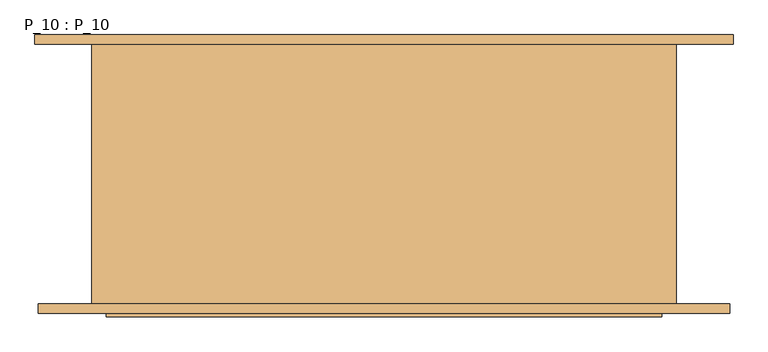
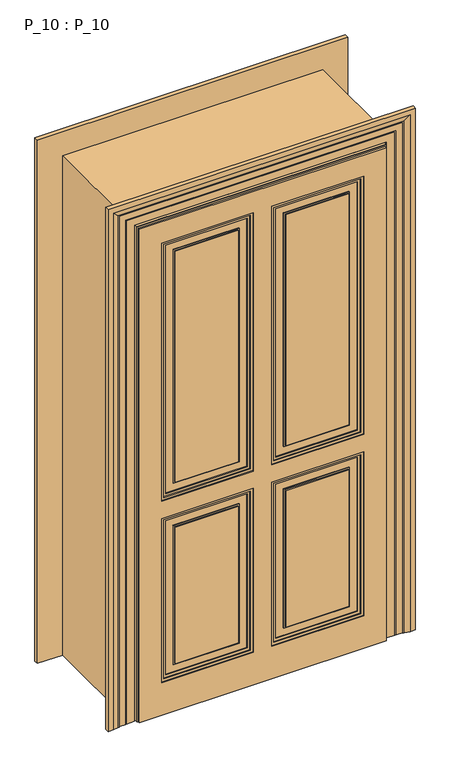
"""IFC4 building model written with IfcOpenShell, lengths in millimetres: door geometry, P_10 : P_10."""

from ifc_helpers import new_model, si_unit, frame, origin, origin_with_axes, place, context, project, spatial, polyline, outline, extrude, faceted_brep, source, transform, mapped, element, save


def p_10_p_10_13ee09d3(model_context):
    return source(origin(), model_context, "Body", "SolidModel", [
        extrude(outline(polyline([(90.0, -220.0), (90.0, -212.0), (330.0, -212.0), (330.0, -220.0), (90.0, -220.0)])), frame((0.0, 0.0, 185.0), z_axis=(0.0, 0.0, 1.0), x_axis=(1.0, 0.0, 0.0)), (0.0, 0.0, 1.0), 550.0),
        extrude(outline(polyline([(-330.0, -220.0), (-330.0, -212.0), (-90.0, -212.0), (-90.0, -220.0), (-330.0, -220.0)])), frame((0.0, 0.0, 185.0), z_axis=(0.0, 0.0, 1.0), x_axis=(1.0, 0.0, 0.0)), (0.0, 0.0, 1.0), 550.0),
        extrude(outline(polyline([(90.0, -220.0), (90.0, -212.0), (330.0, -212.0), (330.0, -220.0), (90.0, -220.0)])), frame((0.0, 0.0, 915.0), z_axis=(0.0, 0.0, 1.0), x_axis=(1.0, 0.0, 0.0)), (0.0, 0.0, 1.0), 930.0),
        extrude(outline(polyline([(-330.0, -220.0), (-330.0, -212.0), (-90.0, -212.0), (-90.0, -220.0), (-330.0, -220.0)])), frame((0.0, 0.0, 915.0), z_axis=(0.0, 0.0, 1.0), x_axis=(1.0, 0.0, 0.0)), (0.0, 0.0, 1.0), 930.0),
        extrude(outline(polyline([(1890.0, 375.0), (1890.0, 45.0), (870.0, 45.0), (870.0, 375.0), (1890.0, 375.0)]), holes=[polyline([(1880.0, 365.0), (880.0, 365.0), (880.0, 55.0), (1880.0, 55.0), (1880.0, 365.0)])]), frame((0.0, -220.0, 0.0), z_axis=(0.0, 1.0, 0.0), x_axis=(0.0, 0.0, 1.0)), (0.0, 0.0, 1.0), 4.0),
        extrude(outline(polyline([(780.0, 45.0), (140.0, 45.0), (140.0, 375.0), (780.0, 375.0), (780.0, 45.0)]), holes=[polyline([(770.0, 55.0), (770.0, 365.0), (150.0, 365.0), (150.0, 55.0), (770.0, 55.0)])]), frame((0.0, -220.0, 0.0), z_axis=(0.0, 1.0, 0.0), x_axis=(0.0, 0.0, 1.0)), (0.0, 0.0, 1.0), 4.0),
        extrude(outline(polyline([(780.0, -375.0), (140.0, -375.0), (140.0, -45.0), (780.0, -45.0), (780.0, -375.0)]), holes=[polyline([(770.0, -365.0), (770.0, -55.0), (150.0, -55.0), (150.0, -365.0), (770.0, -365.0)])]), frame((0.0, -220.0, 0.0), z_axis=(0.0, 1.0, 0.0), x_axis=(0.0, 0.0, 1.0)), (0.0, 0.0, 1.0), 4.0),
        extrude(outline(polyline([(870.0, -45.0), (1890.0, -45.0), (1890.0, -375.0), (870.0, -375.0), (870.0, -45.0)]), holes=[polyline([(880.0, -55.0), (880.0, -365.0), (1880.0, -365.0), (1880.0, -55.0), (880.0, -55.0)])]), frame((0.0, -220.0, 0.0), z_axis=(0.0, 1.0, 0.0), x_axis=(0.0, 0.0, 1.0)), (0.0, 0.0, 1.0), 4.0),
        extrude(outline(polyline([(740.0, 85.0), (180.0, 85.0), (180.0, 335.0), (740.0, 335.0), (740.0, 85.0)]), holes=[polyline([(735.0, 90.0), (735.0, 330.0), (185.0, 330.0), (185.0, 90.0), (735.0, 90.0)])]), frame((0.0, -220.0, 0.0), z_axis=(0.0, 1.0, 0.0), x_axis=(0.0, 0.0, 1.0)), (0.0, 0.0, 1.0), 4.0),
        extrude(outline(polyline([(740.0, -335.0), (180.0, -335.0), (180.0, -85.0), (740.0, -85.0), (740.0, -335.0)]), holes=[polyline([(735.0, -330.0), (735.0, -90.0), (185.0, -90.0), (185.0, -330.0), (735.0, -330.0)])]), frame((0.0, -220.0, 0.0), z_axis=(0.0, 1.0, 0.0), x_axis=(0.0, 0.0, 1.0)), (0.0, 0.0, 1.0), 4.0),
        extrude(outline(polyline([(910.0, -85.0), (1850.0, -85.0), (1850.0, -335.0), (910.0, -335.0), (910.0, -85.0)]), holes=[polyline([(915.0, -90.0), (915.0, -330.0), (1845.0, -330.0), (1845.0, -90.0), (915.0, -90.0)])]), frame((0.0, -220.0, 0.0), z_axis=(0.0, 1.0, 0.0), x_axis=(0.0, 0.0, 1.0)), (0.0, 0.0, 1.0), 4.0),
        extrude(outline(polyline([(1850.0, 335.0), (1850.0, 85.0), (910.0, 85.0), (910.0, 335.0), (1850.0, 335.0)]), holes=[polyline([(1845.0, 330.0), (915.0, 330.0), (915.0, 90.0), (1845.0, 90.0), (1845.0, 330.0)])]), frame((0.0, -220.0, 0.0), z_axis=(0.0, 1.0, 0.0), x_axis=(0.0, 0.0, 1.0)), (0.0, 0.0, 1.0), 4.0),
        extrude(outline(polyline([(860.0, 385.0), (1900.0, 385.0), (1900.0, 35.0), (860.0, 35.0), (860.0, 385.0)]), holes=[polyline([(1890.0, 375.0), (870.0, 375.0), (870.0, 45.0), (1890.0, 45.0), (1890.0, 375.0)])]), frame((0.0, -220.0, 0.0), z_axis=(0.0, 1.0, 0.0), x_axis=(0.0, 0.0, 1.0)), (0.0, 0.0, 1.0), 8.0),
        extrude(outline(polyline([(790.0, -385.0), (130.0, -385.0), (130.0, -35.0), (790.0, -35.0), (790.0, -385.0)]), holes=[polyline([(780.0, -375.0), (780.0, -45.0), (140.0, -45.0), (140.0, -375.0), (780.0, -375.0)])]), frame((0.0, -220.0, 0.0), z_axis=(0.0, 1.0, 0.0), x_axis=(0.0, 0.0, 1.0)), (0.0, 0.0, 1.0), 8.0),
        extrude(outline(polyline([(130.0, 385.0), (790.0, 385.0), (790.0, 35.0), (130.0, 35.0), (130.0, 385.0)]), holes=[polyline([(780.0, 45.0), (780.0, 375.0), (140.0, 375.0), (140.0, 45.0), (780.0, 45.0)])]), frame((0.0, -220.0, 0.0), z_axis=(0.0, 1.0, 0.0), x_axis=(0.0, 0.0, 1.0)), (0.0, 0.0, 1.0), 8.0),
        extrude(outline(polyline([(1900.0, -35.0), (1900.0, -385.0), (860.0, -385.0), (860.0, -35.0), (1900.0, -35.0)]), holes=[polyline([(870.0, -45.0), (870.0, -375.0), (1890.0, -375.0), (1890.0, -45.0), (870.0, -45.0)])]), frame((0.0, -220.0, 0.0), z_axis=(0.0, 1.0, 0.0), x_axis=(0.0, 0.0, 1.0)), (0.0, 0.0, 1.0), 8.0),
        extrude(outline(polyline([(0.0, 470.0), (1985.0, 470.0), (1985.0, -470.0), (0.0, -470.0), (0.0, 470.0)]), holes=[polyline([(790.0, -35.0), (130.0, -35.0), (130.0, -385.0), (790.0, -385.0), (790.0, -35.0)]), polyline([(860.0, -35.0), (860.0, -385.0), (1900.0, -385.0), (1900.0, -35.0), (860.0, -35.0)]), polyline([(860.0, 35.0), (1900.0, 35.0), (1900.0, 385.0), (860.0, 385.0), (860.0, 35.0)]), polyline([(790.0, 385.0), (130.0, 385.0), (130.0, 35.0), (790.0, 35.0), (790.0, 385.0)])]), frame((0.0, -220.0, 0.0), z_axis=(0.0, 1.0, 0.0), x_axis=(0.0, 0.0, 1.0)), (0.0, 0.0, 1.0), 12.0),
        extrude(outline(polyline([(330.0, -230.0), (330.0, -238.0), (90.0, -238.0), (90.0, -230.0), (330.0, -230.0)])), frame((0.0, 0.0, 185.0), z_axis=(0.0, 0.0, 1.0), x_axis=(1.0, 0.0, 0.0)), (0.0, 0.0, 1.0), 550.0),
        extrude(outline(polyline([(-90.0, -230.0), (-90.0, -238.0), (-330.0, -238.0), (-330.0, -230.0), (-90.0, -230.0)])), frame((0.0, 0.0, 185.0), z_axis=(0.0, 0.0, 1.0), x_axis=(1.0, 0.0, 0.0)), (0.0, 0.0, 1.0), 550.0),
        extrude(outline(polyline([(330.0, -230.0), (330.0, -238.0), (90.0, -238.0), (90.0, -230.0), (330.0, -230.0)])), frame((0.0, 0.0, 915.0), z_axis=(0.0, 0.0, 1.0), x_axis=(1.0, 0.0, 0.0)), (0.0, 0.0, 1.0), 930.0),
        extrude(outline(polyline([(-90.0, -230.0), (-90.0, -238.0), (-330.0, -238.0), (-330.0, -230.0), (-90.0, -230.0)])), frame((0.0, 0.0, 915.0), z_axis=(0.0, 0.0, 1.0), x_axis=(1.0, 0.0, 0.0)), (0.0, 0.0, 1.0), 930.0),
        extrude(outline(polyline([(475.0, -220.0), (475.0, -230.0), (-475.0, -230.0), (-475.0, -220.0), (475.0, -220.0)])), origin_with_axes(), (0.0, 0.0, 1.0), 1990.0),
        extrude(outline(polyline([(870.0, -45.0), (1890.0, -45.0), (1890.0, -375.0), (870.0, -375.0), (870.0, -45.0)]), holes=[polyline([(880.0, -55.0), (880.0, -365.0), (1880.0, -365.0), (1880.0, -55.0), (880.0, -55.0)])]), frame((0.0, -234.0, 0.0), z_axis=(0.0, 1.0, 0.0), x_axis=(0.0, 0.0, 1.0)), (0.0, 0.0, 1.0), 4.0),
        extrude(outline(polyline([(1890.0, 45.0), (870.0, 45.0), (870.0, 375.0), (1890.0, 375.0), (1890.0, 45.0)]), holes=[polyline([(1880.0, 55.0), (1880.0, 365.0), (880.0, 365.0), (880.0, 55.0), (1880.0, 55.0)])]), frame((0.0, -234.0, 0.0), z_axis=(0.0, 1.0, 0.0), x_axis=(0.0, 0.0, 1.0)), (0.0, 0.0, 1.0), 4.0),
        extrude(outline(polyline([(780.0, 45.0), (140.0, 45.0), (140.0, 375.0), (780.0, 375.0), (780.0, 45.0)]), holes=[polyline([(770.0, 55.0), (770.0, 365.0), (150.0, 365.0), (150.0, 55.0), (770.0, 55.0)])]), frame((0.0, -234.0, 0.0), z_axis=(0.0, 1.0, 0.0), x_axis=(0.0, 0.0, 1.0)), (0.0, 0.0, 1.0), 4.0),
        extrude(outline(polyline([(780.0, -375.0), (140.0, -375.0), (140.0, -45.0), (780.0, -45.0), (780.0, -375.0)]), holes=[polyline([(770.0, -365.0), (770.0, -55.0), (150.0, -55.0), (150.0, -365.0), (770.0, -365.0)])]), frame((0.0, -234.0, 0.0), z_axis=(0.0, 1.0, 0.0), x_axis=(0.0, 0.0, 1.0)), (0.0, 0.0, 1.0), 4.0),
        extrude(outline(polyline([(740.0, 85.0), (180.0, 85.0), (180.0, 335.0), (740.0, 335.0), (740.0, 85.0)]), holes=[polyline([(735.0, 90.0), (735.0, 330.0), (185.0, 330.0), (185.0, 90.0), (735.0, 90.0)])]), frame((0.0, -234.0, 0.0), z_axis=(0.0, 1.0, 0.0), x_axis=(0.0, 0.0, 1.0)), (0.0, 0.0, 1.0), 4.0),
        extrude(outline(polyline([(740.0, -335.0), (180.0, -335.0), (180.0, -85.0), (740.0, -85.0), (740.0, -335.0)]), holes=[polyline([(735.0, -330.0), (735.0, -90.0), (185.0, -90.0), (185.0, -330.0), (735.0, -330.0)])]), frame((0.0, -234.0, 0.0), z_axis=(0.0, 1.0, 0.0), x_axis=(0.0, 0.0, 1.0)), (0.0, 0.0, 1.0), 4.0),
        extrude(outline(polyline([(1850.0, 85.0), (910.0, 85.0), (910.0, 335.0), (1850.0, 335.0), (1850.0, 85.0)]), holes=[polyline([(1845.0, 90.0), (1845.0, 330.0), (915.0, 330.0), (915.0, 90.0), (1845.0, 90.0)])]), frame((0.0, -234.0, 0.0), z_axis=(0.0, 1.0, 0.0), x_axis=(0.0, 0.0, 1.0)), (0.0, 0.0, 1.0), 4.0),
        extrude(outline(polyline([(1850.0, -335.0), (910.0, -335.0), (910.0, -85.0), (1850.0, -85.0), (1850.0, -335.0)]), holes=[polyline([(1845.0, -330.0), (1845.0, -90.0), (915.0, -90.0), (915.0, -330.0), (1845.0, -330.0)])]), frame((0.0, -234.0, 0.0), z_axis=(0.0, 1.0, 0.0), x_axis=(0.0, 0.0, 1.0)), (0.0, 0.0, 1.0), 4.0),
        extrude(outline(polyline([(860.0, 385.0), (1900.0, 385.0), (1900.0, 35.0), (860.0, 35.0), (860.0, 385.0)]), holes=[polyline([(1890.0, 45.0), (1890.0, 375.0), (870.0, 375.0), (870.0, 45.0), (1890.0, 45.0)])]), frame((0.0, -238.0, 0.0), z_axis=(0.0, 1.0, 0.0), x_axis=(0.0, 0.0, 1.0)), (0.0, 0.0, 1.0), 8.0),
        extrude(outline(polyline([(1900.0, -35.0), (1900.0, -385.0), (860.0, -385.0), (860.0, -35.0), (1900.0, -35.0)]), holes=[polyline([(870.0, -45.0), (870.0, -375.0), (1890.0, -375.0), (1890.0, -45.0), (870.0, -45.0)])]), frame((0.0, -238.0, 0.0), z_axis=(0.0, 1.0, 0.0), x_axis=(0.0, 0.0, 1.0)), (0.0, 0.0, 1.0), 8.0),
        extrude(outline(polyline([(790.0, -385.0), (130.0, -385.0), (130.0, -35.0), (790.0, -35.0), (790.0, -385.0)]), holes=[polyline([(780.0, -375.0), (780.0, -45.0), (140.0, -45.0), (140.0, -375.0), (780.0, -375.0)])]), frame((0.0, -238.0, 0.0), z_axis=(0.0, 1.0, 0.0), x_axis=(0.0, 0.0, 1.0)), (0.0, 0.0, 1.0), 8.0),
        extrude(outline(polyline([(130.0, 385.0), (790.0, 385.0), (790.0, 35.0), (130.0, 35.0), (130.0, 385.0)]), holes=[polyline([(780.0, 45.0), (780.0, 375.0), (140.0, 375.0), (140.0, 45.0), (780.0, 45.0)])]), frame((0.0, -238.0, 0.0), z_axis=(0.0, 1.0, 0.0), x_axis=(0.0, 0.0, 1.0)), (0.0, 0.0, 1.0), 8.0),
        faceted_brep([(475.0, -230.0, 0.0), (-475.0, -230.0, 0.0), (-475.0, -230.0, 1990.0), (475.0, -230.0, 1990.0), (-35.0, -230.0, 790.0), (-385.0, -230.0, 790.0), (-385.0, -230.0, 130.0), (-35.0, -230.0, 130.0), (-35.0, -230.0, 860.0), (-35.0, -230.0, 1900.0), (-385.0, -230.0, 1900.0), (-385.0, -230.0, 860.0), (35.0, -230.0, 860.0), (385.0, -230.0, 860.0), (385.0, -230.0, 1900.0), (35.0, -230.0, 1900.0), (385.0, -230.0, 790.0), (35.0, -230.0, 790.0), (35.0, -230.0, 130.0), (385.0, -230.0, 130.0), (-35.0, -242.0, 130.0), (-35.0, -242.0, 790.0), (-385.0, -242.0, 130.0), (-385.0, -242.0, 790.0), (35.0, -242.0, 1900.0), (35.0, -242.0, 860.0), (385.0, -242.0, 860.0), (385.0, -242.0, 1900.0), (-385.0, -242.0, 860.0), (-35.0, -242.0, 860.0), (-385.0, -242.0, 1900.0), (-35.0, -242.0, 1900.0), (475.0, -235.0, 1990.0), (475.0, -235.0, 0.0), (-475.0, -235.0, 0.0), (-475.0, -235.0, 1990.0), (470.0, -235.0, 0.0), (470.0, -242.0, 0.0), (-470.0, -242.0, 0.0), (-470.0, -235.0, 0.0), (385.0, -242.0, 130.0), (385.0, -242.0, 790.0), (35.0, -242.0, 130.0), (35.0, -242.0, 790.0), (470.0, -242.0, 1985.0), (-470.0, -242.0, 1985.0), (-470.0, -235.0, 1985.0), (470.0, -235.0, 1985.0)], [[[0, 1, 2, 3], [4, 5, 6, 7], [8, 9, 10, 11], [12, 13, 14, 15], [16, 17, 18, 19]], [[7, 20, 21, 4]], [[6, 22, 20, 7]], [[5, 23, 22, 6]], [[4, 21, 23, 5]], [[15, 24, 25, 12]], [[13, 26, 27, 14]], [[12, 25, 26, 13]], [[11, 28, 29, 8]], [[10, 30, 28, 11]], [[8, 29, 31, 9]], [[0, 3, 32, 33]], [[1, 34, 35, 2]], [[0, 33, 36, 37, 38, 39, 34, 1]], [[19, 40, 41, 16]], [[18, 42, 40, 19]], [[17, 43, 42, 18]], [[16, 41, 43, 17]], [[37, 44, 45, 38], [21, 20, 22, 23], [25, 24, 27, 26], [29, 28, 30, 31], [41, 40, 42, 43]], [[45, 46, 39, 38]], [[37, 36, 47, 44]], [[33, 32, 35, 34, 39, 46, 47, 36]], [[3, 2, 35, 32]], [[14, 27, 24, 15]], [[44, 47, 46, 45]], [[9, 31, 30, 10]]]),
        faceted_brep([(585.0, -220.0, 0.0), (585.0, -236.0, 0.0), (565.0, -236.0, 0.0), (545.0, -232.0291126, 0.0), (545.0, -231.0291126, 0.0), (540.0, -231.0291126, 0.0), (540.0, -230.0291126, 0.0), (516.0, -230.0291126, 0.0), (516.0, -229.0291126, 0.0), (511.0, -229.0291126, 0.0), (511.0, -228.0291126, 0.0), (481.0, -228.0291126, 0.0), (481.0, -220.0, 0.0), (471.0, -220.0, 0.0), (471.0, 220.0, 0.0), (481.0, 220.0, 0.0), (481.0, 228.0291126, 0.0), (511.0, 228.0291126, 0.0), (511.0, 229.0291126, 0.0), (516.0, 229.0291126, 0.0), (516.0, 230.0291126, 0.0), (546.0, 230.0291126, 0.0), (546.0, 231.0291126, 0.0), (551.0, 231.0291126, 0.0), (551.0, 232.0291126, 0.0), (571.0, 236.0, 0.0), (591.0, 236.0, 0.0), (591.0, 220.0, 0.0), (495.0, 220.0, 0.0), (495.0, -220.0, 0.0), (495.0, -220.0, 2010.0), (-495.0, -220.0, 2010.0), (-495.0, -220.0, 0.0), (-585.0, -220.0, 0.0), (-585.0, -220.0, 2100.0), (585.0, -220.0, 2100.0), (495.0, 220.0, 2010.0), (591.0, 220.0, 2106.0), (-591.0, 220.0, 2106.0), (-591.0, 220.0, 0.0), (-495.0, 220.0, 0.0), (-495.0, 220.0, 2010.0), (591.0, 236.0, 2106.0), (571.0, 236.0, 2086.0), (-571.0, 236.0, 2086.0), (-571.0, 236.0, 0.0), (-591.0, 236.0, 0.0), (-591.0, 236.0, 2106.0), (551.0, 232.0291126, 2066.0), (551.0, 231.0291126, 2066.0), (546.0, 231.0291126, 2061.0), (-546.0, 231.0291126, 2061.0), (-546.0, 231.0291126, 0.0), (-551.0, 231.0291126, 0.0), (-551.0, 231.0291126, 2066.0), (546.0, 230.0291126, 2061.0), (516.0, 230.0291126, 2031.0), (-516.0, 230.0291126, 2031.0), (-516.0, 230.0291126, 0.0), (-546.0, 230.0291126, 0.0), (-546.0, 230.0291126, 2061.0), (516.0, 229.0291126, 2031.0), (511.0, 229.0291126, 2026.0), (-511.0, 229.0291126, 2026.0), (-511.0, 229.0291126, 0.0), (-516.0, 229.0291126, 0.0), (-516.0, 229.0291126, 2031.0), (511.0, 228.0291126, 2026.0), (481.0, 228.0291126, 1996.0), (-481.0, 228.0291126, 1996.0), (-481.0, 228.0291126, 0.0), (-511.0, 228.0291126, 0.0), (-511.0, 228.0291126, 2026.0), (481.0, 220.0, 1996.0), (471.0, 220.0, 1986.0), (-471.0, 220.0, 1986.0), (-471.0, 220.0, 0.0), (-481.0, 220.0, 0.0), (-481.0, 220.0, 1996.0), (471.0, -220.0, 1986.0), (481.0, -220.0, 1996.0), (-481.0, -220.0, 1996.0), (-481.0, -220.0, 0.0), (-471.0, -220.0, 0.0), (-471.0, -220.0, 1986.0), (481.0, -228.0291126, 1996.0), (511.0, -228.0291126, 2026.0), (-511.0, -228.0291126, 2026.0), (-511.0, -228.0291126, 0.0), (-481.0, -228.0291126, 0.0), (-481.0, -228.0291126, 1996.0), (511.0, -229.0291126, 2026.0), (516.0, -229.0291126, 2031.0), (-516.0, -229.0291126, 2031.0), (-516.0, -229.0291126, 0.0), (-511.0, -229.0291126, 0.0), (-511.0, -229.0291126, 2026.0), (516.0, -230.0291126, 2031.0), (540.0, -230.0291126, 2055.0), (-540.0, -230.0291126, 2055.0), (-540.0, -230.0291126, 0.0), (-516.0, -230.0291126, 0.0), (-516.0, -230.0291126, 2031.0), (540.0, -231.0291126, 2055.0), (545.0, -231.0291126, 2060.0), (-545.0, -231.0291126, 2060.0), (-545.0, -231.0291126, 0.0), (-540.0, -231.0291126, 0.0), (-540.0, -231.0291126, 2055.0), (545.0, -232.0291126, 2060.0), (565.0, -236.0, 2080.0), (585.0, -236.0, 2100.0), (-585.0, -236.0, 2100.0), (-585.0, -236.0, 0.0), (-565.0, -236.0, 0.0), (-565.0, -236.0, 2080.0), (-551.0, 232.0291126, 0.0), (-545.0, -232.0291126, 0.0), (-545.0, -232.0291126, 2060.0), (-551.0, 232.0291126, 2066.0)], [[[0, 1, 2, 3, 4, 5, 6, 7, 8, 9, 10, 11, 12, 13, 14, 15, 16, 17, 18, 19, 20, 21, 22, 23, 24, 25, 26, 27, 28, 29]], [[29, 30, 31, 32, 33, 34, 35, 0]], [[28, 36, 30, 29]], [[27, 37, 38, 39, 40, 41, 36, 28]], [[26, 42, 37, 27]], [[25, 43, 44, 45, 46, 47, 42, 26]], [[24, 48, 43, 25]], [[23, 49, 48, 24]], [[22, 50, 51, 52, 53, 54, 49, 23]], [[21, 55, 50, 22]], [[20, 56, 57, 58, 59, 60, 55, 21]], [[19, 61, 56, 20]], [[18, 62, 63, 64, 65, 66, 61, 19]], [[17, 67, 62, 18]], [[16, 68, 69, 70, 71, 72, 67, 17]], [[15, 73, 68, 16]], [[14, 74, 75, 76, 77, 78, 73, 15]], [[13, 79, 74, 14]], [[12, 80, 81, 82, 83, 84, 79, 13]], [[11, 85, 80, 12]], [[10, 86, 87, 88, 89, 90, 85, 11]], [[9, 91, 86, 10]], [[8, 92, 93, 94, 95, 96, 91, 9]], [[7, 97, 92, 8]], [[6, 98, 99, 100, 101, 102, 97, 7]], [[5, 103, 98, 6]], [[4, 104, 105, 106, 107, 108, 103, 5]], [[3, 109, 104, 4]], [[2, 110, 109, 3]], [[1, 111, 112, 113, 114, 115, 110, 2]], [[0, 35, 111, 1]], [[34, 33, 113, 112]], [[33, 32, 40, 39, 46, 45, 116, 53, 52, 59, 58, 65, 64, 71, 70, 77, 76, 83, 82, 89, 88, 95, 94, 101, 100, 107, 106, 117, 114, 113]], [[41, 40, 32, 31]], [[78, 77, 70, 69]], [[84, 83, 76, 75]], [[90, 89, 82, 81]], [[115, 114, 117, 118]], [[118, 117, 106, 105]], [[108, 107, 100, 99]], [[102, 101, 94, 93]], [[96, 95, 88, 87]], [[72, 71, 64, 63]], [[66, 65, 58, 57]], [[60, 59, 52, 51]], [[54, 53, 116, 119]], [[119, 116, 45, 44]], [[47, 46, 39, 38]], [[36, 41, 31, 30]], [[79, 84, 75, 74]], [[85, 90, 81, 80]], [[35, 34, 112, 111]], [[91, 96, 87, 86]], [[97, 102, 93, 92]], [[103, 108, 99, 98]], [[109, 118, 105, 104]], [[110, 115, 118, 109]], [[42, 47, 38, 37]], [[48, 119, 44, 43]], [[49, 54, 119, 48]], [[55, 60, 51, 50]], [[61, 66, 57, 56]], [[67, 72, 63, 62]], [[73, 78, 69, 68]]]),
    ])


if __name__ == "__main__":
    model = new_model("IFC4")
    model_context = context("Model", 3, world=origin())
    ifc_project = project(units=[si_unit("LENGTHUNIT", "METRE", prefix="MILLI")], contexts=[model_context])
    site = spatial("IfcSite", under=ifc_project)
    building = spatial("IfcBuilding", under=site)
    placement = place(None, origin())
    p_10_p_10_shape = p_10_p_10_13ee09d3(model_context)
    element("IfcDoor", 1, ObjectType="P_10 : P_10", at=placement, inside=building, context=model_context, shape_type="MappedRepresentation", body=[
        mapped(p_10_p_10_shape, transform((0.0, 0.0, 0.0), x_axis=(1.0, 0.0, 0.0), y_axis=(0.0, 1.0, 0.0), z_axis=(0.0, 0.0, 1.0))),
    ])
    save(model, "model.ifc")
